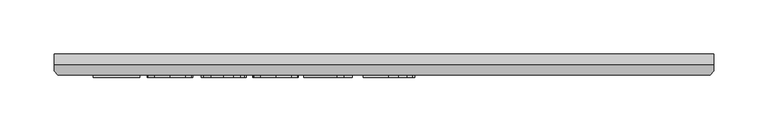
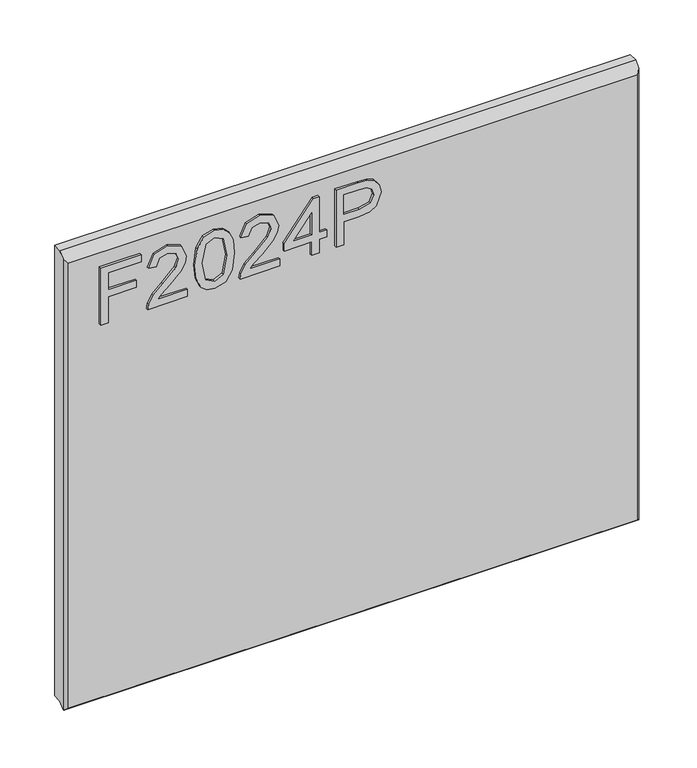
"""IFC4 building model written with IfcOpenShell, lengths in millimetres: furniture geometry."""

from ifc_helpers import new_model, si_unit, frame, origin, place, context, project, spatial, polyline, outline, extrude, faceted_brep, source, transform, mapped, element, save


def furniture_2a38b7b4(model_context):
    return source(origin(), model_context, "Body", "SolidModel", [
        extrude(outline(polyline([(1541.5032988, -249.8436441), (1541.5032988, -241.8699245), (1570.4080324, -241.8699245), (1570.4080324, -211.9684759), (1578.381752, -211.9684759), (1578.381752, -241.8699245), (1597.3193361, -241.8699245), (1597.3193361, -206.9849011), (1605.2930557, -206.9849011), (1605.2930557, -249.8436441), (1541.5032988, -249.8436441)])), frame((0.0, -21.9273437, 0.0), z_axis=(0.0, 1.0, 0.0), x_axis=(0.0, 0.0, 1.0)), (0.0, 0.0, 1.0), 2.38125),
        extrude(outline(polyline([(1549.4770184, -158.1458685), (1549.4770184, -189.4645211), (1553.5339597, -185.8670031), (1561.2039927, -176.6941108), (1572.128923, -165.270823), (1579.9469059, -160.5597875), (1587.5079233, -159.1425834), (1600.1848916, -164.3986974), (1605.2930557, -178.671967), (1600.6988227, -192.8985156), (1587.3521866, -199.0111815), (1586.3554716, -191.0374619), (1594.4070596, -187.6813358), (1597.3193361, -178.8432774), (1594.3369781, -170.3634135), (1587.0251395, -167.116303), (1577.9924102, -170.5580844), (1564.7080687, -184.3252096), (1555.4650949, -194.3079328), (1547.0008047, -199.1513445), (1541.5032988, -200.0078965), (1541.5032988, -158.1458685), (1549.4770184, -158.1458685)])), frame((0.0, -21.9273437, 0.0), z_axis=(0.0, 1.0, 0.0), x_axis=(0.0, 0.0, 1.0)), (0.0, 0.0, 1.0), 2.38125),
        extrude(outline(polyline([(1572.8842461, -150.1721488), (1557.3689762, -148.5836344), (1546.5803155, -143.818091), (1542.0250167, -137.5263279), (1540.5065838, -129.2411348), (1544.002873, -117.5686683), (1554.608543, -110.6305978), (1572.8842461, -108.3101208), (1587.8739045, -109.7584723), (1597.3115492, -113.4961533), (1603.2373311, -119.9280795), (1605.2930557, -129.2411348), (1601.820127, -140.8668803), (1591.2378175, -147.8283113), (1572.8842461, -150.1721488)]), holes=[polyline([(1572.8998197, -142.1984292), (1593.0521502, -138.3361588), (1597.3193361, -129.3345769), (1592.4759244, -119.8969322), (1572.8998197, -116.2838405), (1553.1134706, -120.0215215), (1548.4803034, -129.2411348), (1553.0978969, -138.4607482), (1572.8998197, -142.1984292)])]), frame((0.0, -21.9273438, 0.0), z_axis=(0.0, 1.0, 0.0), x_axis=(0.0, 0.0, 1.0)), (0.0, 0.0, 1.0), 2.38125),
        extrude(outline(polyline([(1549.4770184, -60.4678031), (1549.4770184, -91.7864558), (1553.5339597, -88.1889378), (1561.2039927, -79.0160455), (1572.128923, -67.5927577), (1579.9469059, -62.8817222), (1587.5079233, -61.4645181), (1600.1848916, -66.7206321), (1605.2930557, -80.9939017), (1600.6988227, -95.2204503), (1587.3521866, -101.3331162), (1586.3554716, -93.3593966), (1594.4070596, -90.0032704), (1597.3193361, -81.1652121), (1594.3369781, -72.6853481), (1587.0251395, -69.4382377), (1577.9924102, -72.880019), (1564.7080687, -86.6471443), (1555.4650949, -96.6298675), (1547.0008047, -101.4732792), (1541.5032988, -102.3298311), (1541.5032988, -60.4678031), (1549.4770184, -60.4678031)])), frame((0.0, -21.9273437, 0.0), z_axis=(0.0, 1.0, 0.0), x_axis=(0.0, 0.0, 1.0)), (0.0, 0.0, 1.0), 2.38125),
        extrude(outline(polyline([(1541.5032988, -26.5794948), (1541.5032988, -18.6057751), (1556.454023, -18.6057751), (1556.454023, -10.6320555), (1564.4277427, -10.6320555), (1564.4277427, -18.6057751), (1604.2963407, -18.6057751), (1604.2963407, -24.5860649), (1564.4277427, -55.4842284), (1556.454023, -55.4842284), (1556.454023, -26.5794948), (1541.5032988, -26.5794948)]), holes=[polyline([(1564.4277427, -26.5794948), (1564.4277427, -45.6728156), (1589.0652904, -26.5794948), (1564.4277427, -26.5794948)])]), frame((0.0, -21.9273438, 0.0), z_axis=(0.0, 1.0, 0.0), x_axis=(0.0, 0.0, 1.0)), (0.0, 0.0, 1.0), 2.38125),
        extrude(outline(polyline([(1541.5032988, -0.664906), (1541.5032988, 7.3088136), (1567.4178875, 7.3088136), (1567.4178875, 23.5210053), (1568.8273047, 34.8489043), (1573.0555565, 42.0458871), (1586.8382554, 47.1774117), (1595.5361507, 45.2774238), (1601.7033245, 40.2549149), (1604.6856825, 32.5070135), (1605.2930557, 22.9759268), (1605.2930557, -0.664906), (1541.5032988, -0.664906)]), holes=[polyline([(1575.3916071, 7.3088136), (1597.3193361, 7.3088136), (1597.3193361, 23.8013313), (1596.7742576, 31.775051), (1593.1611659, 37.1557543), (1586.5579293, 39.2036921), (1578.3194573, 35.7307634), (1575.3916071, 23.9882154), (1575.3916071, 7.3088136)])]), frame((0.0, -21.9273438, 0.0), z_axis=(0.0, 1.0, 0.0), x_axis=(0.0, 0.0, 1.0)), (0.0, 0.0, 1.0), 2.38125),
        faceted_brep([(323.5377049, 0.0, 1630.4032987), (-286.0622951, 0.0, 1630.4032987), (-286.0622951, -10.0314449, 1630.4032987), (323.5377049, -10.0314449, 1630.4032987), (-286.0622951, 0.0, 1125.875955), (323.5377049, 0.0, 1125.875955), (323.5377049, -10.0314449, 1125.875955), (-286.0622951, -10.0314449, 1125.875955), (-286.0622951, -15.7726273, 1120.1347727), (-286.0622951, -15.7726273, 1624.6621164), (-282.8959807, -19.5460937, 1122.700955), (320.3713906, -19.5460937, 1122.700955), (320.3713906, -19.5460937, 1620.8886499), (-282.8959807, -19.5460937, 1620.8886499), (323.5377049, -15.7726273, 1624.6621164), (323.5377049, -15.7726273, 1120.1347727), (-285.5514364, -16.3814449, 1119.525955), (323.0268462, -16.3814449, 1119.525955)], [[[0, 1, 2, 3]], [[4, 5, 6, 7]], [[1, 4, 7, 8, 9, 2]], [[10, 11, 12, 13]], [[5, 0, 3, 14, 15, 6]], [[1, 0, 5, 4]], [[11, 10, 16, 17]], [[7, 6, 15, 17, 16, 8]], [[3, 2, 9, 13, 12, 14]], [[9, 8, 16, 10, 13]], [[12, 11, 17, 15, 14]]]),
    ])


if __name__ == "__main__":
    model = new_model("IFC4")
    model_context = context("Model", 3, world=origin())
    ifc_project = project(units=[si_unit("LENGTHUNIT", "METRE", prefix="MILLI")], contexts=[model_context])
    site = spatial("IfcSite", under=ifc_project)
    building = spatial("IfcBuilding", under=site)
    placement = place(None, origin())
    furniture_shape = furniture_2a38b7b4(model_context)
    element("IfcFurniture", 1, at=placement, inside=building, context=model_context, shape_type="MappedRepresentation", body=[
        mapped(furniture_shape, transform((0.0, 0.0, 0.0), x_axis=(1.0, 0.0, 0.0), y_axis=(0.0, 1.0, 0.0), z_axis=(0.0, 0.0, 1.0))),
    ])
    save(model, "model.ifc")
